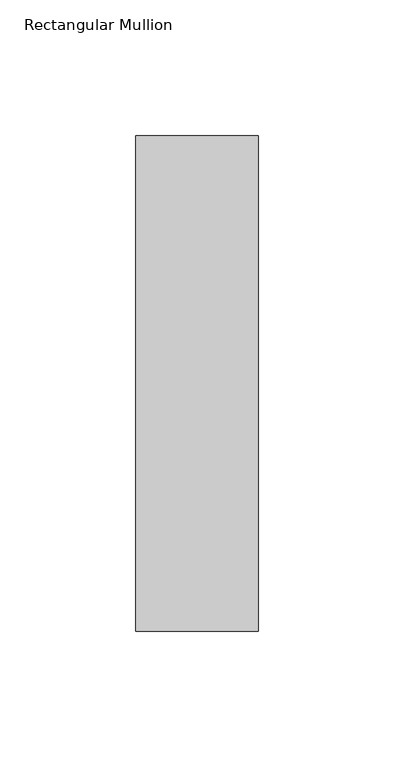
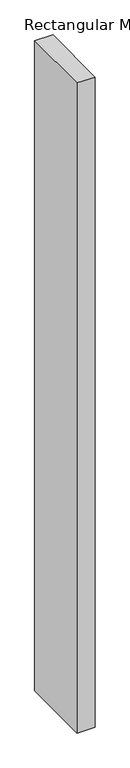
"""IFC4 building model written with IfcOpenShell, lengths in millimetres: member geometry, Rectangular Mullion."""

from ifc_helpers import new_model, si_unit, frame, origin, place, context, project, spatial, polyline, outline, extrude, source, transform, mapped, element, save


def rectangular_mullion_60116263(model_context):
    return source(origin(), model_context, "Body", "SweptSolid", [
        extrude(outline(polyline([(22.5, 146.73125), (22.5, -35.73125), (-22.5, -35.73125), (-22.5, 146.73125), (22.5, 146.73125)])), frame((0.0, 0.0, -1708.8912252), z_axis=(0.0, 0.0, 1.0), x_axis=(1.0, 0.0, 0.0)), (0.0, 0.0, 1.0), 1708.8912252),
    ])


if __name__ == "__main__":
    model = new_model("IFC4")
    model_context = context("Model", 3, world=origin())
    ifc_project = project(units=[si_unit("LENGTHUNIT", "METRE", prefix="MILLI")], contexts=[model_context])
    site = spatial("IfcSite", under=ifc_project)
    building = spatial("IfcBuilding", under=site)
    placement = place(None, origin())
    rectangular_mullion_shape = rectangular_mullion_60116263(model_context)
    element("IfcMember", 1, ObjectType="Rectangular Mullion", at=placement, inside=building, context=model_context, shape_type="MappedRepresentation", body=[
        mapped(rectangular_mullion_shape, transform((0.0, 0.0, 0.0), x_axis=(1.0, 0.0, 0.0), y_axis=(0.0, 1.0, 0.0), z_axis=(0.0, 0.0, 1.0))),
    ])
    save(model, "model.ifc")
